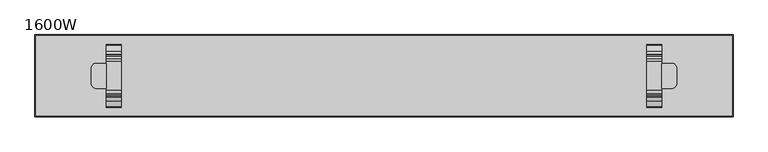
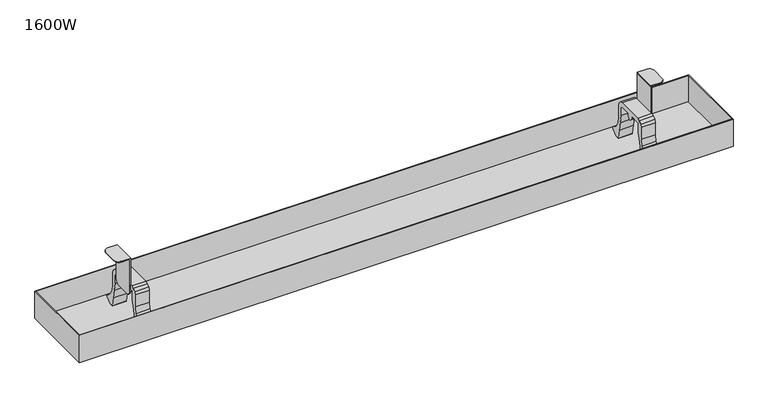
"""IFC4 building model written with IfcOpenShell, lengths in millimetres: furniture geometry, 1600W."""

from ifc_helpers import new_model, si_unit, point, frame, frame_2d, origin, place, context, project, spatial, polyline, circle_curve, trimmed, segment, composite_curve, outline, extrude, faceted_brep, source, transform, mapped, element, save
from ifc_brep_helpers import plane_surface, cylinder_surface, advanced_brep


def furniture_1600w_03cee7f1(model_context):
    return source(origin(), model_context, "Body", "SolidModel", [
        extrude(outline(composite_curve([segment(polyline([(28.25, 655.6089449), (34.75, 653.8672752), (39.5083302, 649.1089449), (41.25, 642.6089449), (41.25, 615.6089449), (42.9555126, 601.8121279), (49.9457921, 589.7956007), (61.0960118, 581.4929784), (62.5288578, 580.072514), (62.737976, 578.0657663), (61.6287805, 576.3804021), (49.988664, 567.6162242), (49.988664, 564.2297166), (51.9354374, 563.6484872), (53.2695938, 561.9968693), (53.406724, 559.8781409), (52.2966018, 558.0683222), (42.3770369, 549.4873279)]), True, "CONTINUOUS"), segment(trimmed(circle_curve(frame_2d((41.6448692, 550.1324462)), 0.9758316), [point((42.3770369, 549.4873279))], [point((40.6690514, 550.1272622))], False, "CARTESIAN"), True, "CONTINUOUS"), segment(polyline([(40.6690514, 550.1272622), (40.6597451, 551.8790344), (40.8692786, 553.618255), (41.2943712, 555.3176928), (41.9578918, 557.08863), (42.988664, 559.1689888), (42.988664, 567.673425), (39.9005757, 587.3273398), (36.0103541, 606.457322), (31.25, 625.5024109), (31.25, 642.6089449), (30.8480762, 644.1089449), (29.75, 645.2070212), (28.25, 645.6089449), (5.75, 645.6089449), (5.75, 640.6089449), (4.6518477, 637.2291797), (1.7768477, 635.14037), (-1.7768477, 635.14037), (-4.6518477, 637.2291797), (-5.75, 640.6089449), (-5.75, 645.6089449), (-28.25, 645.6089449), (-29.75, 645.2070212), (-30.8480762, 644.1089449), (-31.25, 642.6089449), (-31.25, 625.5024109), (-36.0103541, 606.457322), (-39.9005757, 587.3273398), (-42.988664, 567.673425), (-42.988664, 559.1689888), (-41.9578918, 557.08863), (-41.2943712, 555.3176928), (-40.8692786, 553.618255), (-40.6597451, 551.8790344), (-40.6690514, 550.1272622)]), True, "CONTINUOUS"), segment(trimmed(circle_curve(frame_2d((-41.6448692, 550.1324462)), 0.9758316), [point((-40.6690514, 550.1272622))], [point((-42.3770369, 549.4873279))], False, "CARTESIAN"), True, "CONTINUOUS"), segment(polyline([(-42.3770369, 549.4873279), (-52.2966018, 558.0683222), (-53.406724, 559.8781409), (-53.2695938, 561.9968693), (-51.9354374, 563.6484872), (-49.988664, 564.2297166), (-49.988664, 567.6162242), (-61.6287805, 576.3804021), (-62.737976, 578.0657663), (-62.5288578, 580.072514), (-61.0960118, 581.4929784), (-49.9457921, 589.7956007), (-42.9555126, 601.8121279), (-41.25, 615.6089449), (-41.25, 642.6089449), (-39.5083302, 649.1089449), (-34.75, 653.8672752), (-28.25, 655.6089449), (28.25, 655.6089449)]), True, "CONTINUOUS")], self_intersect=False)), frame((523.0, 0.0, 0.0), z_axis=(1.0, 0.0, 0.0), x_axis=(0.0, 1.0, 0.0)), (0.0, 0.0, 1.0), 30.0),
        extrude(outline(composite_curve([segment(polyline([(28.25, 655.6089449), (34.75, 653.8672752), (39.5083302, 649.1089449), (41.25, 642.6089449), (41.25, 615.6089449), (42.9555126, 601.8121279), (49.9457921, 589.7956007), (61.0960118, 581.4929784), (62.5288578, 580.072514), (62.737976, 578.0657663), (61.6287805, 576.3804021), (49.988664, 567.6162242), (49.988664, 564.2297166), (51.9354374, 563.6484872), (53.2695938, 561.9968693), (53.406724, 559.8781409), (52.2966018, 558.0683222), (42.3770369, 549.4873279)]), True, "CONTINUOUS"), segment(trimmed(circle_curve(frame_2d((41.6448692, 550.1324462)), 0.9758316), [point((42.3770369, 549.4873279))], [point((40.6690514, 550.1272622))], False, "CARTESIAN"), True, "CONTINUOUS"), segment(polyline([(40.6690514, 550.1272622), (40.6597451, 551.8790344), (40.8692786, 553.618255), (41.2943712, 555.3176928), (41.9578918, 557.08863), (42.988664, 559.1689888), (42.988664, 567.673425), (39.9005757, 587.3273398), (36.0103541, 606.457322), (31.25, 625.5024109), (31.25, 642.6089449), (30.8480762, 644.1089449), (29.75, 645.2070212), (28.25, 645.6089449), (5.75, 645.6089449), (5.75, 640.6089449), (4.6518477, 637.2291797), (1.7768477, 635.14037), (-1.7768477, 635.14037), (-4.6518477, 637.2291797), (-5.75, 640.6089449), (-5.75, 645.6089449), (-28.25, 645.6089449), (-29.75, 645.2070212), (-30.8480762, 644.1089449), (-31.25, 642.6089449), (-31.25, 625.5024109), (-36.0103541, 606.457322), (-39.9005757, 587.3273398), (-42.988664, 567.673425), (-42.988664, 559.1689888), (-41.9578918, 557.08863), (-41.2943712, 555.3176928), (-40.8692786, 553.618255), (-40.6597451, 551.8790344), (-40.6690514, 550.1272622)]), True, "CONTINUOUS"), segment(trimmed(circle_curve(frame_2d((-41.6448692, 550.1324462)), 0.9758316), [point((-40.6690514, 550.1272622))], [point((-42.3770369, 549.4873279))], False, "CARTESIAN"), True, "CONTINUOUS"), segment(polyline([(-42.3770369, 549.4873279), (-52.2966018, 558.0683222), (-53.406724, 559.8781409), (-53.2695938, 561.9968693), (-51.9354374, 563.6484872), (-49.988664, 564.2297166), (-49.988664, 567.6162242), (-61.6287805, 576.3804021), (-62.737976, 578.0657663), (-62.5288578, 580.072514), (-61.0960118, 581.4929784), (-49.9457921, 589.7956007), (-42.9555126, 601.8121279), (-41.25, 615.6089449), (-41.25, 642.6089449), (-39.5083302, 649.1089449), (-34.75, 653.8672752), (-28.25, 655.6089449), (28.25, 655.6089449)]), True, "CONTINUOUS")], self_intersect=False)), frame((-553.0, 0.0, 0.0), z_axis=(1.0, 0.0, 0.0), x_axis=(0.0, 1.0, 0.0)), (0.0, 0.0, 1.0), 30.0),
        faceted_brep([(693.0, 80.0, 567.0), (-693.0, 80.0, 567.0), (-693.0, -80.0, 567.0), (693.0, -80.0, 567.0), (693.0, 80.0, 626.0), (-693.0, 80.0, 626.0), (-693.0, -80.0, 626.0), (693.0, -80.0, 626.0), (695.0, -82.0, 626.0), (695.0, 82.0, 626.0), (-695.0, 82.0, 626.0), (-695.0, -82.0, 626.0), (695.0, -82.0, 565.0), (-695.0, -82.0, 565.0), (-695.0, 82.0, 565.0), (695.0, 82.0, 565.0)], [[[0, 1, 2, 3]], [[1, 0, 4, 5]], [[2, 1, 5, 6]], [[3, 2, 6, 7]], [[0, 3, 7, 4]], [[8, 9, 10, 11], [5, 4, 7, 6]], [[12, 13, 14, 15]], [[9, 8, 12, 15]], [[10, 9, 15, 14]], [[11, 10, 14, 13]], [[8, 11, 13, 12]]]),
        extrude(outline(composite_curve([segment(trimmed(circle_curve(frame_2d((573.0, 14.9999998)), 10.0), [point((573.0, 24.9999998))], [point((583.0, 14.9999998))], False, "CARTESIAN"), True, "CONTINUOUS"), segment(polyline([(583.0, 14.9999998), (583.0, -15.0000002)]), True, "CONTINUOUS"), segment(trimmed(circle_curve(frame_2d((573.0, -15.0000002)), 10.0), [point((583.0, -15.0000002))], [point((573.0, -25.0000002))], False, "CARTESIAN"), True, "CONTINUOUS"), segment(polyline([(573.0, -25.0000002), (553.0, -25.0000002), (553.0, 24.9999998), (573.0, 24.9999998)]), True, "CONTINUOUS")], self_intersect=False)), frame((0.0, 0.0, 713.6089449), z_axis=(0.0, 0.0, 1.0), x_axis=(1.0, 0.0, 0.0)), (0.0, 0.0, 1.0), 2.0),
        extrude(outline(polyline([(24.9999998, 640.6089449), (23.6602538, 635.6089449), (19.9999998, 631.9486909), (14.9999998, 630.6089449), (-15.0000002, 630.6089449), (-20.0000002, 631.9486909), (-23.6602542, 635.6089449), (-25.0000002, 640.6089449), (-25.0000002, 715.6089449), (24.9999998, 715.6089449), (24.9999998, 640.6089449)])), frame((553.0, 0.0, 0.0), z_axis=(1.0, 0.0, 0.0), x_axis=(0.0, 1.0, 0.0)), (0.0, 0.0, 1.0), 2.0),
        advanced_brep(
        [(-553.0, 24.9999998, 715.6089449), (-573.0, 24.9999998, 715.6089449), (-583.0, 14.9999998, 715.6089449), (-583.0, -15.0000002, 715.6089449), (-573.0, -25.0000002, 715.6089449), (-553.0, -25.0000002, 715.6089449), (-573.0, -25.0000002, 713.6089449), (-583.0, -15.0000002, 713.6089449), (-583.0, 14.9999998, 713.6089449), (-573.0, 24.9999998, 713.6089449), (-555.0, 24.9999998, 713.6089449), (-555.0, -25.0000002, 713.6089449), (-555.0, -25.0000002, 640.6089449), (-553.0, -25.0000002, 640.6089449), (-553.0, -23.6602542, 635.6089449), (-553.0, -20.0000002, 631.9486909), (-553.0, -15.0000002, 630.6089449), (-553.0, 14.9999998, 630.6089449), (-553.0, 19.9999998, 631.9486909), (-553.0, 23.6602538, 635.6089449), (-553.0, 24.9999998, 640.6089449), (-555.0, 24.9999998, 640.6089449), (-555.0, 23.6602538, 635.6089449), (-555.0, 19.9999998, 631.9486909), (-555.0, 14.9999998, 630.6089449), (-555.0, -15.0000002, 630.6089449), (-555.0, -20.0000002, 631.9486909), (-555.0, -23.6602542, 635.6089449)],
        [
            (0, 1),
            (1, 2, circle_curve(frame((-573.0, 14.9999998, 715.6089449), z_axis=(0.0, 0.0, 1.0), x_axis=(1.0, 0.0, 0.0)), 10.0)),
            (2, 3),
            (3, 4, circle_curve(frame((-573.0, -15.0000002, 715.6089449), z_axis=(0.0, 0.0, 1.0), x_axis=(1.0, 0.0, 0.0)), 10.0)),
            (4, 5),
            (5, 0),
            (6, 7, circle_curve(frame((-573.0, -15.0000002, 713.6089449), z_axis=(0.0, 0.0, -1.0), x_axis=(1.0, 0.0, 0.0)), 10.0)),
            (7, 8),
            (8, 9, circle_curve(frame((-573.0, 14.9999998, 713.6089449), z_axis=(0.0, 0.0, -1.0), x_axis=(1.0, 0.0, 0.0)), 10.0)),
            (9, 10),
            (10, 11),
            (11, 6),
            (2, 8),
            (7, 3),
            (4, 6),
            (11, 12),
            (12, 13),
            (13, 5),
            (13, 14),
            (14, 15),
            (15, 16),
            (16, 17),
            (17, 18),
            (18, 19),
            (19, 20),
            (20, 0),
            (20, 21),
            (21, 10),
            (9, 1),
            (21, 22),
            (22, 23),
            (23, 24),
            (24, 25),
            (25, 26),
            (26, 27),
            (27, 12),
            (27, 14),
            (26, 15),
            (25, 16),
            (24, 17),
            (23, 18),
            (22, 19),
        ],
        [
            plane_surface(frame((-563.0, 14.9999998, 715.6089449), z_axis=(0.0, 0.0, 1.0), x_axis=(0.0, 1.0, 0.0))),
            plane_surface(frame((-563.0, 14.9999998, 713.6089449), z_axis=(0.0, 0.0, -1.0), x_axis=(0.0, -1.0, 0.0))),
            plane_surface(frame((-583.0, 14.9999998, 715.6089449), z_axis=(-1.0, 0.0, 0.0), x_axis=(0.0, 0.0, -1.0))),
            plane_surface(frame((-573.0, -25.0000002, 715.6089449), z_axis=(0.0, -1.0, 0.0), x_axis=(0.0, 0.0, -1.0))),
            plane_surface(frame((-553.0, -25.0000002, 715.6089449), z_axis=(1.0, 0.0, 0.0), x_axis=(0.0, 0.0, -1.0))),
            plane_surface(frame((-553.0, 24.9999998, 715.6089449), z_axis=(0.0, 1.0, 0.0), x_axis=(0.0, 0.0, -1.0))),
            plane_surface(frame((-555.0, 24.9999998, 715.6089449), z_axis=(-1.0, 0.0, 0.0), x_axis=(0.0, 0.0, -1.0))),
            plane_surface(frame((-553.0, -25.0000002, 640.6089449), z_axis=(0.0, -0.9659258262890794, -0.25881904510247955), x_axis=(-1.0, 0.0, 0.0))),
            plane_surface(frame((-553.0, -23.6602542, 635.6089449), z_axis=(0.0, -0.7071067811865787, -0.7071067811865165), x_axis=(-1.0, 0.0, 0.0))),
            plane_surface(frame((-553.0, -20.0000002, 631.9486909), z_axis=(0.0, -0.2588190451025777, -0.9659258262890531), x_axis=(-1.0, 0.0, 0.0))),
            plane_surface(frame((-553.0, -15.0000002, 630.6089449), z_axis=(0.0, 0.0, -1.0), x_axis=(-1.0, 0.0, 0.0))),
            plane_surface(frame((-553.0, 14.9999998, 630.6089449), z_axis=(0.0, 0.2588190451024751, -0.9659258262890805), x_axis=(-1.0, 0.0, 0.0))),
            plane_surface(frame((-553.0, 19.9999998, 631.9486909), z_axis=(0.0, 0.7071067811865112, -0.7071067811865839), x_axis=(-1.0, 0.0, 0.0))),
            plane_surface(frame((-553.0, 23.6602538, 635.6089449), z_axis=(0.0, 0.9659258262890469, -0.2588190451026009), x_axis=(-1.0, 0.0, 0.0))),
            cylinder_surface(frame((-573.0, 14.9999998, 713.6089449), z_axis=(0.0, 0.0, 1.0), x_axis=(1.0, 0.0, 0.0)), 10.0),
            cylinder_surface(frame((-573.0, -15.0000002, 713.6089449), z_axis=(0.0, 0.0, 1.0), x_axis=(1.0, 0.0, 0.0)), 10.0),
        ],
        [
            (0, [[1, 2, 3, 4, 5, 6]]),
            (1, [[7, 8, 9, 10, 11, 12]]),
            (2, [[-3, 13, -8, 14]]),
            (3, [[15, -12, 16, 17, 18, -5]]),
            (4, [[-6, -18, 19, 20, 21, 22, 23, 24, 25, 26]]),
            (5, [[-26, 27, 28, -10, 29, -1]]),
            (6, [[30, 31, 32, 33, 34, 35, 36, -16, -11, -28]]),
            (7, [[-19, -17, -36, 37]]),
            (8, [[-20, -37, -35, 38]]),
            (9, [[-21, -38, -34, 39]]),
            (10, [[-22, -39, -33, 40]]),
            (11, [[-23, -40, -32, 41]]),
            (12, [[-24, -41, -31, 42]]),
            (13, [[-25, -42, -30, -27]]),
            (14, [[-2, -29, -9, -13]]),
            (15, [[-4, -14, -7, -15]]),
        ],
    ),
    ])


if __name__ == "__main__":
    model = new_model("IFC4")
    model_context = context("Model", 3, world=origin())
    ifc_project = project(units=[si_unit("LENGTHUNIT", "METRE", prefix="MILLI")], contexts=[model_context])
    site = spatial("IfcSite", under=ifc_project)
    building = spatial("IfcBuilding", under=site)
    placement = place(None, origin())
    furniture_1600w_shape = furniture_1600w_03cee7f1(model_context)
    element("IfcFurniture", 1, ObjectType="1600W", at=placement, inside=building, context=model_context, shape_type="MappedRepresentation", body=[
        mapped(furniture_1600w_shape, transform((0.0, 0.0, 0.0), x_axis=(1.0, 0.0, 0.0), y_axis=(0.0, 1.0, 0.0), z_axis=(0.0, 0.0, 1.0))),
    ])
    save(model, "model.ifc")
